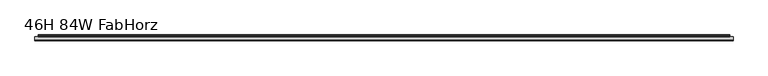
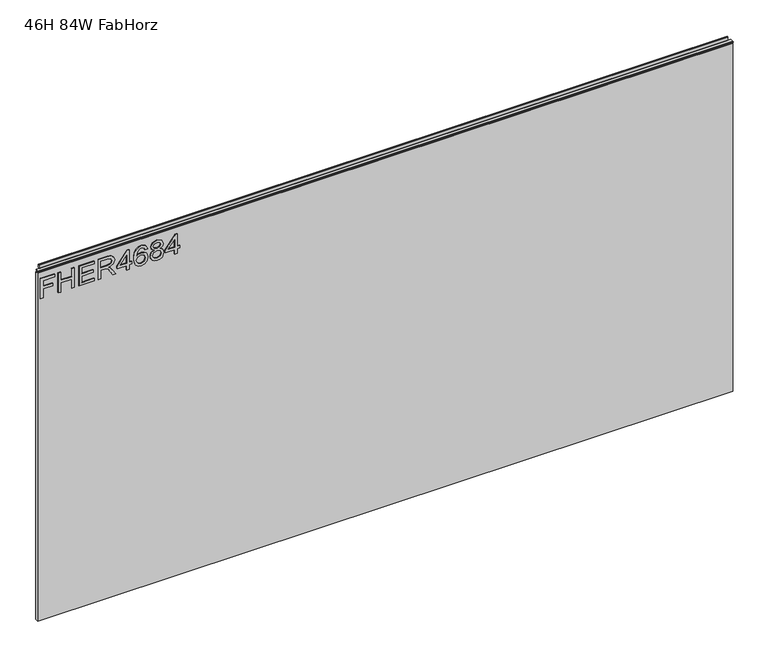
"""IFC4 building model written with IfcOpenShell, lengths in millimetres: furniture geometry, 46H 84W FabHorz."""

from ifc_helpers import new_model, si_unit, frame, origin, place, context, project, spatial, polyline, outline, extrude, source, transform, mapped, element, save


def furniture_46h_84w_fabhorz_22ab7898(model_context):
    return source(origin(), model_context, "Body", "SweptSolid", [
        extrude(outline(polyline([(1053.0078, -291.2189953), (1053.0078, -283.2452757), (1081.9125336, -283.2452757), (1081.9125336, -253.3438271), (1089.8862532, -253.3438271), (1089.8862532, -283.2452757), (1108.8238373, -283.2452757), (1108.8238373, -248.3602524), (1116.7975569, -248.3602524), (1116.7975569, -291.2189953), (1053.0078, -291.2189953)])), frame((0.0, -5.5562439, 0.0), z_axis=(0.0, 1.0, 0.0), x_axis=(0.0, 0.0, 1.0)), (0.0, 0.0, 1.0), 2.38125),
        extrude(outline(polyline([(1053.0078, -237.3963879), (1053.0078, -229.4226683), (1082.9092486, -229.4226683), (1082.9092486, -195.5343599), (1053.0078, -195.5343599), (1053.0078, -187.5606403), (1116.7975569, -187.5606403), (1116.7975569, -195.5343599), (1090.8829682, -195.5343599), (1090.8829682, -229.4226683), (1116.7975569, -229.4226683), (1116.7975569, -237.3963879), (1053.0078, -237.3963879)])), frame((0.0, -5.5562439, 0.0), z_axis=(0.0, 1.0, 0.0), x_axis=(0.0, 0.0, 1.0)), (0.0, 0.0, 1.0), 2.38125),
        extrude(outline(polyline([(1053.0078, -173.606631), (1053.0078, -126.7610282), (1060.9815196, -126.7610282), (1060.9815196, -165.6329113), (1081.9125336, -165.6329113), (1081.9125336, -129.7511731), (1089.8862532, -129.7511731), (1089.8862532, -165.6329113), (1108.8238373, -165.6329113), (1108.8238373, -127.7577432), (1116.7975569, -127.7577432), (1116.7975569, -173.606631), (1053.0078, -173.606631)])), frame((0.0, -5.5562439, 0.0), z_axis=(0.0, 1.0, 0.0), x_axis=(0.0, 0.0, 1.0)), (0.0, 0.0, 1.0), 2.38125),
        extrude(outline(polyline([(1053.0078, -114.8004488), (1053.0078, -106.8267292), (1080.9158187, -106.8267292), (1080.9158187, -97.2022004), (1080.6354926, -92.5768201), (1079.1170596, -88.7846312), (1074.98225, -84.5719531), (1066.2298468, -78.5760897), (1053.0078, -70.275323), (1053.0078, -61.0089887), (1070.294575, -71.6458061), (1078.5018996, -78.1088796), (1081.9125336, -82.6408179), (1087.8461023, -69.2863949), (1099.3394716, -64.9647012), (1108.9873609, -67.5732911), (1115.0766663, -74.5502957), (1116.7975569, -87.3129192), (1116.7975569, -114.8004488), (1053.0078, -114.8004488)]), holes=[polyline([(1088.8895383, -106.8267292), (1108.8238373, -106.8267292), (1108.8238373, -86.9702985), (1106.0672975, -76.3101206), (1099.0435719, -72.9384208), (1093.6317211, -74.7060325), (1090.0186294, -79.8764913), (1088.8895383, -88.9793021), (1088.8895383, -106.8267292)])]), frame((0.0, -5.5562439, 0.0), z_axis=(0.0, 1.0, 0.0), x_axis=(0.0, 0.0, 1.0)), (0.0, 0.0, 1.0), 2.38125),
        extrude(outline(polyline([(1053.0078, -28.0862479), (1053.0078, -20.1125283), (1067.9585243, -20.1125283), (1067.9585243, -12.1388087), (1075.9322439, -12.1388087), (1075.9322439, -20.1125283), (1115.800842, -20.1125283), (1115.800842, -26.092818), (1075.9322439, -56.9909816), (1067.9585243, -56.9909816), (1067.9585243, -28.0862479), (1053.0078, -28.0862479)]), holes=[polyline([(1075.9322439, -28.0862479), (1075.9322439, -47.1795687), (1100.5697916, -28.0862479), (1075.9322439, -28.0862479)])]), frame((0.0, -5.5562439, 0.0), z_axis=(0.0, 1.0, 0.0), x_axis=(0.0, 0.0, 1.0)), (0.0, 0.0, 1.0), 2.38125),
        extrude(outline(polyline([(1099.8534028, 35.703509), (1112.296766, 29.8166613), (1116.7975569, 17.2175614), (1114.9793308, 7.9629073), (1109.5246525, 0.8184857), (1098.6659103, -4.4142678), (1082.7846592, -6.158519), (1068.6593395, -4.5875249), (1059.1749738, 0.1254573), (1053.8020572, 7.3302269), (1052.011085, 16.3765831), (1054.713117, 26.8265165), (1062.4999526, 34.0682735), (1073.5027512, 36.700224), (1081.6750351, 35.302487), (1088.1887231, 31.109276), (1093.873113, 17.5601821), (1091.7940279, 8.8467131), (1085.4321833, 1.8152006), (1099.6431582, 4.0811698), (1106.8927021, 9.5241678), (1108.8238373, 16.7192039), (1105.5066454, 24.7084972), (1098.8566878, 27.7297894), (1099.8534028, 35.703509)]), holes=[polyline([(1073.6273406, 1.8152006), (1082.51212, 5.7786999), (1085.8993934, 15.4265892), (1082.51212, 25.1990678), (1073.2379988, 28.7265043), (1063.5511754, 25.1523468), (1059.9848047, 15.7536363), (1061.7056953, 8.5663871), (1066.7204174, 3.6606807), (1073.6273406, 1.8152006)])]), frame((0.0, -5.5562439, 0.0), z_axis=(0.0, 1.0, 0.0), x_axis=(0.0, 0.0, 1.0)), (0.0, 0.0, 1.0), 2.38125),
        extrude(outline(polyline([(1088.1420021, 55.2951873), (1082.3485964, 46.6985208), (1071.7896474, 43.6772286), (1064.0320125, 45.1177932), (1057.6721145, 49.4394869), (1053.4263424, 56.112805), (1052.011085, 64.6082426), (1053.4205023, 73.1036802), (1057.648754, 79.7769983), (1071.571616, 85.5392566), (1081.8891731, 82.634767), (1088.1420021, 74.154903), (1093.071069, 81.2175629), (1100.5853653, 83.5458267), (1112.0787346, 78.3130732), (1116.7975569, 64.4992269), (1112.1877503, 50.80997), (1100.8033967, 45.6706585), (1093.0944295, 48.0300697), (1088.1420021, 55.2951873)]), holes=[polyline([(1072.0699735, 51.6509482), (1080.5264769, 55.022648), (1083.9059635, 64.4057849), (1080.4797559, 74.061461), (1071.8207947, 77.565537), (1063.3253571, 74.1704767), (1059.9848047, 64.6705373), (1061.5733191, 57.6935326), (1066.0663232, 52.9824971), (1072.0699735, 51.6509482)]), polyline([(1100.5697916, 53.6443781), (1106.3943446, 56.5177205), (1108.8238373, 64.6082426), (1106.3398368, 72.6754043), (1100.2115972, 75.5721071), (1094.2936022, 72.7688463), (1091.8796831, 64.7016847), (1094.3091758, 56.4709995), (1100.5697916, 53.6443781)])]), frame((0.0, -5.5562439, 0.0), z_axis=(0.0, 1.0, 0.0), x_axis=(0.0, 0.0, 1.0)), (0.0, 0.0, 1.0), 2.38125),
        extrude(outline(polyline([(1053.0078, 118.43085), (1053.0078, 126.4045697), (1067.9585243, 126.4045697), (1067.9585243, 134.3782893), (1075.9322439, 134.3782893), (1075.9322439, 126.4045697), (1115.800842, 126.4045697), (1115.800842, 120.42428), (1075.9322439, 89.5261164), (1067.9585243, 89.5261164), (1067.9585243, 118.43085), (1053.0078, 118.43085)]), holes=[polyline([(1075.9322439, 118.43085), (1075.9322439, 99.3375292), (1100.5697916, 118.43085), (1075.9322439, 118.43085)])]), frame((0.0, -5.5562439, 0.0), z_axis=(0.0, 1.0, 0.0), x_axis=(0.0, 0.0, 1.0)), (0.0, 0.0, 1.0), 2.38125),
        extrude(outline(polyline([(5.5562561, 1143.0), (6.3500061, 1143.0), (6.3500061, 1152.87425), (7.1437561, 1153.668), (8.6677569, 1153.668), (10.0084363, 1153.2506926), (10.875413, 1152.1461816), (10.9623604, 1150.7447591), (10.2390011, 1147.7863459), (10.4046103, 1146.5833307), (11.6746103, 1144.3836103), (10.7786383, 1143.8663244), (7.1437561, 1143.8663244), (7.1437561, 1143.0), (6.3500061, 1142.7669239), (6.3500061, 1135.5578), (5.5562561, 1135.5578), (5.5562561, 1143.0)])), frame((-288.671, 0.0, 0.0), z_axis=(1.0, 0.0, 0.0), x_axis=(0.0, 1.0, 0.0)), (0.0, 0.0, 1.0), 2101.342),
        extrude(outline(polyline([(5.5562561, 1143.0), (5.5562561, 1139.8249996), (-3.975094, 1139.8249996), (-5.3492339, 1140.6183657), (-5.3492339, 1142.2066395), (-3.9751037, 1143.0), (5.5562561, 1143.0)])), frame((-298.196, 0.0, 0.0), z_axis=(1.0, 0.0, 0.0), x_axis=(0.0, 1.0, 0.0)), (0.0, 0.0, 1.0), 2120.392),
        extrude(outline(polyline([(1822.196, 6.3500061), (1822.196, -3.1749939), (-298.196, -3.1749939), (-298.196, 6.3500061), (1822.196, 6.3500061)])), frame((0.0, 0.0, 13.5381927), z_axis=(0.0, 0.0, 1.0), x_axis=(1.0, 0.0, 0.0)), (0.0, 0.0, 1.0), 1122.0196073),
    ])


if __name__ == "__main__":
    model = new_model("IFC4")
    model_context = context("Model", 3, world=origin())
    ifc_project = project(units=[si_unit("LENGTHUNIT", "METRE", prefix="MILLI")], contexts=[model_context])
    site = spatial("IfcSite", under=ifc_project)
    building = spatial("IfcBuilding", under=site)
    placement = place(None, origin())
    furniture_46h_84w_fabhorz_shape = furniture_46h_84w_fabhorz_22ab7898(model_context)
    element("IfcFurniture", 1, ObjectType="46H 84W FabHorz", at=placement, inside=building, context=model_context, shape_type="MappedRepresentation", body=[
        mapped(furniture_46h_84w_fabhorz_shape, transform((0.0, 0.0, 0.0), x_axis=(1.0, 0.0, 0.0), y_axis=(0.0, 1.0, 0.0), z_axis=(0.0, 0.0, 1.0))),
    ])
    save(model, "model.ifc")
